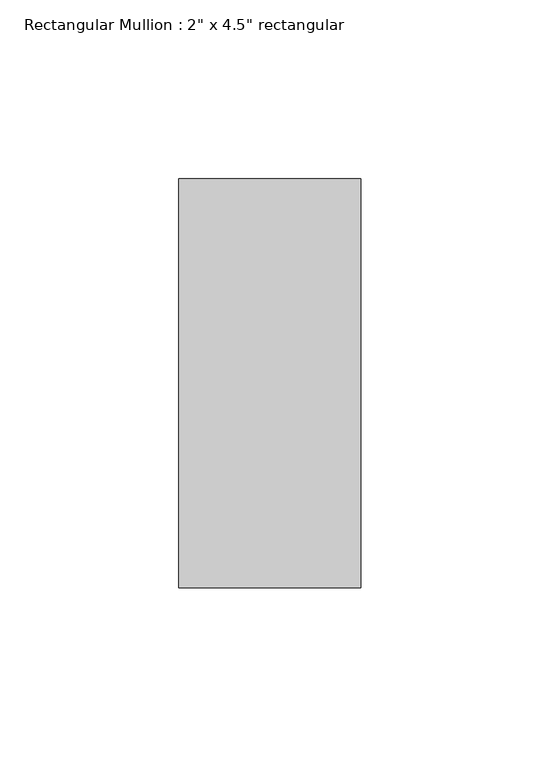
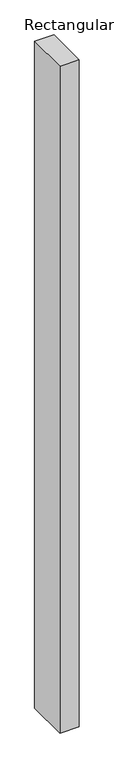
"""IFC4 building model written with IfcOpenShell, lengths in millimetres: member geometry."""

from ifc_helpers import new_model, si_unit, frame, origin, place, context, project, spatial, polyline, outline, extrude, source, transform, mapped, element, save


def member_f4498800(model_context):
    return source(origin(), model_context, "Body", "SweptSolid", [
        extrude(outline(polyline([(0.0, 57.15), (0.0, -57.15), (-50.8, -57.15), (-50.8, 57.15), (0.0, 57.15)])), frame((0.0, 0.0, -1854.2), z_axis=(0.0, 0.0, 1.0), x_axis=(1.0, 0.0, 0.0)), (0.0, 0.0, 1.0), 1854.2),
    ])


if __name__ == "__main__":
    model = new_model("IFC4")
    model_context = context("Model", 3, world=origin())
    ifc_project = project(units=[si_unit("LENGTHUNIT", "METRE", prefix="MILLI")], contexts=[model_context])
    site = spatial("IfcSite", under=ifc_project)
    building = spatial("IfcBuilding", under=site)
    placement = place(None, origin())
    member_shape = member_f4498800(model_context)
    element("IfcMember", 1, ObjectType="Rectangular Mullion : 2\" x 4.5\" rectangular", at=placement, inside=building, context=model_context, shape_type="MappedRepresentation", body=[
        mapped(member_shape, transform((0.0, 0.0, 0.0), x_axis=(1.0, 0.0, 0.0), y_axis=(0.0, 1.0, 0.0), z_axis=(0.0, 0.0, 1.0))),
    ])
    save(model, "model.ifc")
